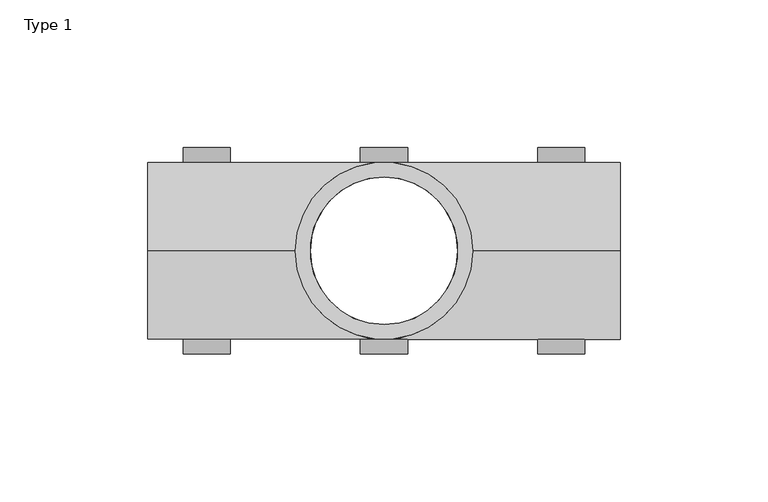
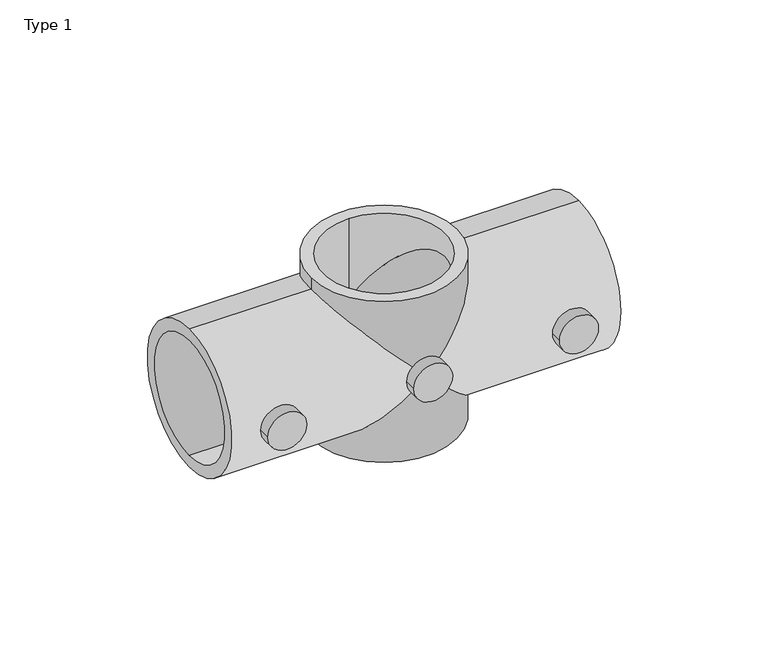
"""IFC4 building model written with IfcOpenShell, lengths in millimetres: proxy geometry, Type 1."""

from ifc_helpers import new_model, si_unit, point, frame, frame_2d, origin, origin_with_axes, place, context, project, spatial, polyline, circle_curve, ellipse_curve, trimmed, segment, composite_curve, outline, extrude, source, transform, mapped, element, save
from ifc_brep_helpers import plane_surface, cylinder_surface, revolved_surface, advanced_brep


def type_1_ff4bb5f1(model_context):
    return source(origin(), model_context, "Body", "SolidModel", [
        extrude(outline(composite_curve([segment(trimmed(circle_curve(frame_2d((35.0, 0.0)), 8.0), [point((35.0, -8.0))], [point((35.0, 8.0))], False, "CARTESIAN"), True, "CONTINUOUS"), segment(trimmed(circle_curve(frame_2d((35.0, 0.0)), 8.0), [point((35.0, 8.0))], [point((35.0, -8.0))], False, "CARTESIAN"), True, "CONTINUOUS")], self_intersect=False)), frame((0.0, -35.0, 0.0), z_axis=(0.0, 1.0, 0.0), x_axis=(0.0, 0.0, 1.0)), (0.0, 0.0, 1.0), 5.0),
        extrude(outline(composite_curve([segment(trimmed(circle_curve(frame_2d((35.0, 60.0)), 8.0), [point((35.0, 52.0))], [point((35.0, 68.0))], False, "CARTESIAN"), True, "CONTINUOUS"), segment(trimmed(circle_curve(frame_2d((35.0, 60.0)), 8.0), [point((35.0, 68.0))], [point((35.0, 52.0))], False, "CARTESIAN"), True, "CONTINUOUS")], self_intersect=False)), frame((0.0, -35.0, 0.0), z_axis=(0.0, 1.0, 0.0), x_axis=(0.0, 0.0, 1.0)), (0.0, 0.0, 1.0), 5.0),
        extrude(outline(composite_curve([segment(trimmed(circle_curve(frame_2d((35.0, -60.0)), 8.0), [point((35.0, -68.0))], [point((35.0, -52.0))], False, "CARTESIAN"), True, "CONTINUOUS"), segment(trimmed(circle_curve(frame_2d((35.0, -60.0)), 8.0), [point((35.0, -52.0))], [point((35.0, -68.0))], False, "CARTESIAN"), True, "CONTINUOUS")], self_intersect=False)), frame((0.0, -35.0, 0.0), z_axis=(0.0, 1.0, 0.0), x_axis=(0.0, 0.0, 1.0)), (0.0, 0.0, 1.0), 5.0),
        extrude(outline(composite_curve([segment(trimmed(circle_curve(frame_2d((35.0, -60.0)), 8.0), [point((35.0, -68.0))], [point((35.0, -52.0))], False, "CARTESIAN"), True, "CONTINUOUS"), segment(trimmed(circle_curve(frame_2d((35.0, -60.0)), 8.0), [point((35.0, -52.0))], [point((35.0, -68.0))], False, "CARTESIAN"), True, "CONTINUOUS")], self_intersect=False)), frame((0.0, 30.0, 0.0), z_axis=(0.0, 1.0, 0.0), x_axis=(0.0, 0.0, 1.0)), (0.0, 0.0, 1.0), 5.0),
        extrude(outline(composite_curve([segment(trimmed(circle_curve(frame_2d((35.0, 0.0)), 8.0), [point((35.0, -8.0))], [point((35.0, 8.0))], False, "CARTESIAN"), True, "CONTINUOUS"), segment(trimmed(circle_curve(frame_2d((35.0, 0.0)), 8.0), [point((35.0, 8.0))], [point((35.0, -8.0))], False, "CARTESIAN"), True, "CONTINUOUS")], self_intersect=False)), frame((0.0, 30.0, 0.0), z_axis=(0.0, 1.0, 0.0), x_axis=(0.0, 0.0, 1.0)), (0.0, 0.0, 1.0), 5.0),
        extrude(outline(composite_curve([segment(trimmed(circle_curve(frame_2d((35.0, 60.0)), 8.0), [point((35.0, 52.0))], [point((35.0, 68.0))], False, "CARTESIAN"), True, "CONTINUOUS"), segment(trimmed(circle_curve(frame_2d((35.0, 60.0)), 8.0), [point((35.0, 68.0))], [point((35.0, 52.0))], False, "CARTESIAN"), True, "CONTINUOUS")], self_intersect=False)), frame((0.0, 30.0, 0.0), z_axis=(0.0, 1.0, 0.0), x_axis=(0.0, 0.0, 1.0)), (0.0, 0.0, 1.0), 5.0),
        advanced_brep(
        [(-30.0, 0.0, 70.0), (30.0, 0.0, 70.0), (0.0, 25.0, 70.0), (0.0, -25.0, 70.0), (-30.0, 0.0, 0.0), (30.0, 0.0, 0.0), (0.0, -25.0, 0.0), (0.0, 25.0, 0.0), (30.0, 0.0, 65.0), (0.0, 30.0, 35.0), (-30.0, 0.0, 65.0), (-30.0, 0.0, 5.0), (30.0, 0.0, 5.0), (0.0, -30.0, 35.0), (80.0, 0.0, 5.0), (80.0, 0.0, 65.0), (80.0, 0.0, 60.0), (80.0, 0.0, 10.0), (-80.0, 0.0, 5.0), (-80.0, 0.0, 65.0), (-80.0, 0.0, 10.0), (-80.0, 0.0, 60.0), (25.0, 0.0, 10.0), (0.0, -25.0, 35.0), (25.0, 0.0, 60.0), (-25.0, 0.0, 60.0), (-25.0, 0.0, 10.0), (0.0, 25.0, 35.0)],
        [
            (0, 1, circle_curve(frame((0.0, 0.0, 70.0), z_axis=(0.0, 0.0, 1.0), x_axis=(1.0, 0.0, 0.0)), 30.0)),
            (1, 0, circle_curve(frame((0.0, 0.0, 70.0), z_axis=(0.0, 0.0, 1.0), x_axis=(1.0, 0.0, 0.0)), 30.0)),
            (2, 3, circle_curve(frame((0.0, 0.0, 70.0), z_axis=(0.0, 0.0, -1.0), x_axis=(0.0, -1.0, 0.0)), 25.0)),
            (3, 2, circle_curve(frame((0.0, 0.0, 70.0), z_axis=(0.0, 0.0, -1.0), x_axis=(0.0, -1.0, 0.0)), 25.0)),
            (4, 5, circle_curve(frame((0.0, 0.0, 0.0), z_axis=(0.0, 0.0, -1.0), x_axis=(1.0, 0.0, 0.0)), 30.0)),
            (5, 4, circle_curve(frame((0.0, 0.0, 0.0), z_axis=(0.0, 0.0, -1.0), x_axis=(1.0, 0.0, 0.0)), 30.0)),
            (6, 7, circle_curve(frame((0.0, 0.0, 0.0), z_axis=(0.0, 0.0, 1.0), x_axis=(0.0, -1.0, 0.0)), 25.0)),
            (7, 6, circle_curve(frame((0.0, 0.0, 0.0), z_axis=(0.0, 0.0, 1.0), x_axis=(0.0, -1.0, 0.0)), 25.0)),
            (1, 8),
            (8, 9, ellipse_curve(frame((0.0, 0.0, 35.0), z_axis=(-0.707106781186547, 0.0, 0.707106781186548), x_axis=(0.707106781186548, 0.0, 0.7071067811865469)), 42.4264069, 30.0)),
            (9, 10, ellipse_curve(frame((0.0, 0.0, 35.0), z_axis=(0.707106781186548, 0.0, 0.7071067811865469), x_axis=(-0.7071067811865468, 0.0, 0.7071067811865481)), 42.4264069, 30.0)),
            (10, 0),
            (4, 11),
            (11, 9, ellipse_curve(frame((0.0, 0.0, 35.0), z_axis=(0.707106781186547, 0.0, -0.707106781186548), x_axis=(0.707106781186548, 0.0, 0.7071067811865469)), 42.4264069, 30.0)),
            (9, 12, ellipse_curve(frame((0.0, 0.0, 35.0), z_axis=(-0.707106781186548, 0.0, -0.7071067811865469), x_axis=(-0.7071067811865468, 0.0, 0.7071067811865481)), 42.4264069, 30.0)),
            (12, 5),
            (10, 13, ellipse_curve(frame((0.0, 0.0, 35.0), z_axis=(0.707106781186548, 0.0, 0.7071067811865469), x_axis=(-0.7071067811865468, 0.0, 0.7071067811865481)), 42.4264069, 30.0)),
            (13, 8, ellipse_curve(frame((0.0, 0.0, 35.0), z_axis=(-0.707106781186547, 0.0, 0.707106781186548), x_axis=(0.707106781186548, 0.0, 0.7071067811865469)), 42.4264069, 30.0)),
            (12, 13, ellipse_curve(frame((0.0, 0.0, 35.0), z_axis=(-0.707106781186548, 0.0, -0.7071067811865469), x_axis=(-0.7071067811865468, 0.0, 0.7071067811865481)), 42.4264069, 30.0)),
            (13, 11, ellipse_curve(frame((0.0, 0.0, 35.0), z_axis=(0.707106781186547, 0.0, -0.707106781186548), x_axis=(0.707106781186548, 0.0, 0.7071067811865469)), 42.4264069, 30.0)),
            (14, 15, circle_curve(frame((80.0, 0.0, 35.0), z_axis=(1.0, 0.0, 0.0), x_axis=(0.0, 0.0, 1.0)), 30.0)),
            (15, 14, circle_curve(frame((80.0, 0.0, 35.0), z_axis=(1.0, 0.0, 0.0), x_axis=(0.0, 0.0, 1.0)), 30.0)),
            (16, 17, circle_curve(frame((80.0, 0.0, 35.0), z_axis=(-1.0, 0.0, 0.0), x_axis=(0.0, 0.0, -1.0)), 25.0)),
            (17, 16, circle_curve(frame((80.0, 0.0, 35.0), z_axis=(-1.0, 0.0, 0.0), x_axis=(0.0, 0.0, -1.0)), 25.0)),
            (18, 19, circle_curve(frame((-80.0, 0.0, 35.0), z_axis=(-1.0, 0.0, 0.0), x_axis=(0.0, 0.0, 1.0)), 30.0)),
            (19, 18, circle_curve(frame((-80.0, 0.0, 35.0), z_axis=(-1.0, 0.0, 0.0), x_axis=(0.0, 0.0, 1.0)), 30.0)),
            (20, 21, circle_curve(frame((-80.0, 0.0, 35.0), z_axis=(1.0, 0.0, 0.0), x_axis=(0.0, 0.0, -1.0)), 25.0)),
            (21, 20, circle_curve(frame((-80.0, 0.0, 35.0), z_axis=(1.0, 0.0, 0.0), x_axis=(0.0, 0.0, -1.0)), 25.0)),
            (15, 8),
            (12, 14),
            (18, 11),
            (10, 19),
            (17, 22),
            (22, 23, ellipse_curve(frame((0.0, 0.0, 35.0), z_axis=(-0.707106781186548, 0.0, -0.7071067811865469), x_axis=(-0.707106781186547, 0.0, 0.707106781186548)), 35.3553391, 25.0)),
            (23, 24, ellipse_curve(frame((0.0, 0.0, 35.0), z_axis=(-0.707106781186547, 0.0, 0.707106781186548), x_axis=(-0.707106781186548, 0.0, -0.7071067811865469)), 35.3553391, 25.0)),
            (24, 16),
            (21, 25),
            (25, 23, ellipse_curve(frame((0.0, 0.0, 35.0), z_axis=(0.707106781186548, 0.0, 0.7071067811865469), x_axis=(-0.707106781186547, 0.0, 0.707106781186548)), 35.3553391, 25.0)),
            (23, 26, ellipse_curve(frame((0.0, 0.0, 35.0), z_axis=(0.707106781186547, 0.0, -0.707106781186548), x_axis=(-0.707106781186548, 0.0, -0.7071067811865469)), 35.3553391, 25.0)),
            (26, 20),
            (24, 27, ellipse_curve(frame((0.0, 0.0, 35.0), z_axis=(-0.707106781186547, 0.0, 0.707106781186548), x_axis=(-0.707106781186548, 0.0, -0.7071067811865469)), 35.3553391, 25.0)),
            (27, 22, ellipse_curve(frame((0.0, 0.0, 35.0), z_axis=(-0.707106781186548, 0.0, -0.7071067811865469), x_axis=(-0.707106781186547, 0.0, 0.707106781186548)), 35.3553391, 25.0)),
            (26, 27, ellipse_curve(frame((0.0, 0.0, 35.0), z_axis=(0.707106781186547, 0.0, -0.707106781186548), x_axis=(-0.707106781186548, 0.0, -0.7071067811865469)), 35.3553391, 25.0)),
            (27, 25, ellipse_curve(frame((0.0, 0.0, 35.0), z_axis=(0.707106781186548, 0.0, 0.7071067811865469), x_axis=(-0.707106781186547, 0.0, 0.707106781186548)), 35.3553391, 25.0)),
            (3, 23),
            (27, 2),
            (23, 6),
            (7, 27),
        ],
        [
            plane_surface(frame((30.0, 0.0, 70.0), z_axis=(0.0, 0.0, 1.0), x_axis=(0.0, -1.0, 0.0))),
            plane_surface(frame((30.0, 0.0, 0.0), z_axis=(0.0, 0.0, -1.0), x_axis=(0.0, 1.0, 0.0))),
            cylinder_surface(origin_with_axes(), 30.0),
            plane_surface(frame((80.0, 0.0, 65.0), z_axis=(1.0, 0.0, 0.0), x_axis=(0.0, 1.0, 0.0))),
            plane_surface(frame((-80.0, 0.0, 65.0), z_axis=(-1.0, 0.0, 0.0), x_axis=(0.0, -1.0, 0.0))),
            cylinder_surface(frame((-80.0, 0.0, 35.0), z_axis=(1.0, 0.0, 0.0), x_axis=(0.0, 0.0, 1.0)), 30.0),
            revolved_surface(polyline([(-25.0000000287599, 0.0, 10.0), (80.0, 0.0, 10.0)]), (80.0, 0.0, 35.0), (-1.0, 0.0, 0.0)),
            revolved_surface(polyline([(-80.0, 0.0, 10.0), (25.000000028759906, 0.0, 10.0)]), (80.0, 0.0, 35.0), (-1.0, 0.0, 0.0)),
            revolved_surface(polyline([(0.0, -25.0, 9.999999971240094), (0.0, -25.0, 70.0)]), (0.0, 0.0, 70.0), (0.0, 0.0, -1.0)),
            revolved_surface(polyline([(0.0, -25.0, 0.0), (0.0, -25.0, 60.00000002875987)]), (0.0, 0.0, 70.0), (0.0, 0.0, -1.0)),
            revolved_surface(polyline([(0.0, -25.0, 0.0), (0.0, -25.0, 60.00000002875991)]), (0.0, 0.0, 70.0), (0.0, 0.0, -1.0)),
            revolved_surface(polyline([(0.0, -25.0, 9.999999971240129), (0.0, -25.0, 70.0)]), (0.0, 0.0, 70.0), (0.0, 0.0, -1.0)),
        ],
        [
            (0, [[1, 2], [3, 4]]),
            (1, [[5, 6], [7, 8]]),
            (2, [[9, 10, 11, 12, -2]]),
            (2, [[13, 14, 15, 16, -5]]),
            (2, [[-12, 17, 18, -9, -1]]),
            (2, [[-16, 19, 20, -13, -6]]),
            (3, [[21, 22], [23, 24]]),
            (4, [[25, 26], [27, 28]]),
            (5, [[29, -18, -19, 30, -22]]),
            (5, [[31, -20, -17, 32, -25]]),
            (5, [[-30, -15, -10, -29, -21]]),
            (5, [[-32, -11, -14, -31, -26]]),
            (6, [[33, 34, 35, 36, -24]]),
            (7, [[37, 38, 39, 40, -28]]),
            (6, [[-36, 41, 42, -33, -23]]),
            (7, [[-40, 43, 44, -37, -27]]),
            (8, [[-4, 45, -38, -44, 46]]),
            (9, [[-43, -39, 47, -8, 48]]),
            (10, [[-7, -47, -34, -42, -48]]),
            (11, [[-41, -35, -45, -3, -46]]),
        ],
    ),
    ])


if __name__ == "__main__":
    model = new_model("IFC4")
    model_context = context("Model", 3, world=origin())
    ifc_project = project(units=[si_unit("LENGTHUNIT", "METRE", prefix="MILLI")], contexts=[model_context])
    site = spatial("IfcSite", under=ifc_project)
    building = spatial("IfcBuilding", under=site)
    placement = place(None, origin())
    type_1_shape = type_1_ff4bb5f1(model_context)
    element("IfcBuildingElementProxy", 1, Name="Type 1", ObjectType="Type 1", at=placement, inside=building, context=model_context, shape_type="MappedRepresentation", body=[
        mapped(type_1_shape, transform((0.0, 0.0, 0.0), x_axis=(1.0, 0.0, 0.0), y_axis=(0.0, 1.0, 0.0), z_axis=(0.0, 0.0, 1.0))),
    ])
    save(model, "model.ifc")
